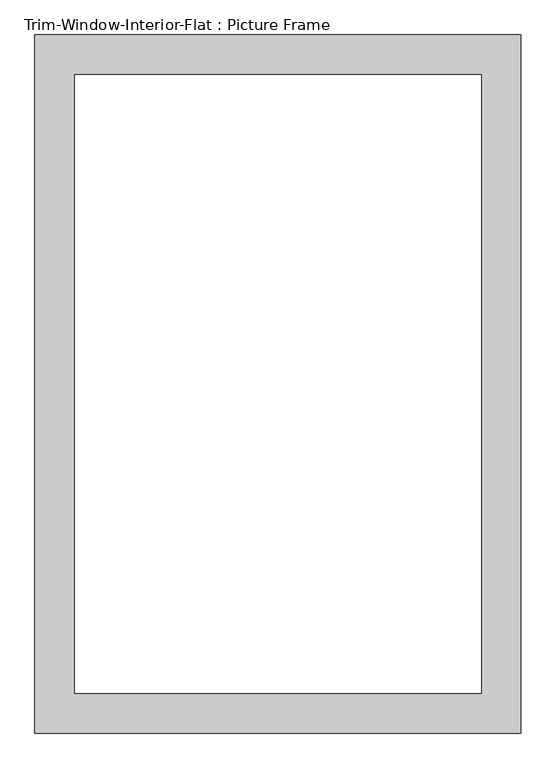
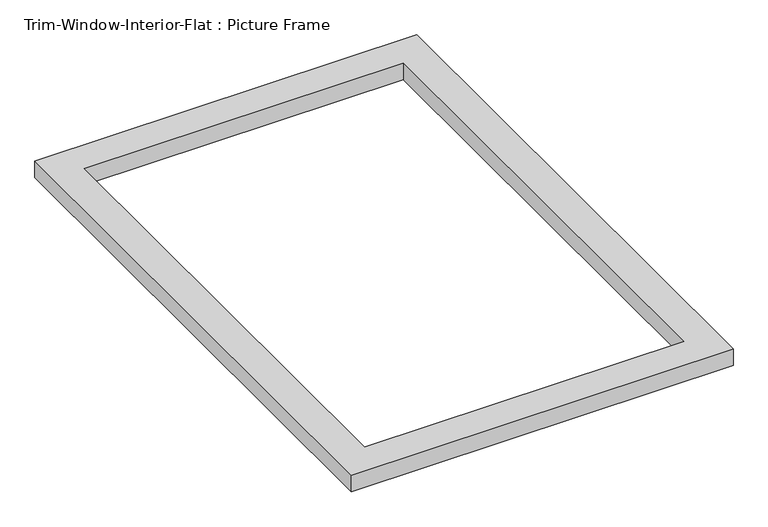
"""IFC4 building model written with IfcOpenShell, lengths in millimetres: proxy geometry, Trim-Window-Interior-Flat : Picture Frame."""

from ifc_helpers import new_model, si_unit, origin, origin_with_axes, place, context, project, spatial, polyline, outline, extrude, source, transform, mapped, element, save


def trim_window_interior_flat_picture_frame_d485c387(model_context):
    return source(origin(), model_context, "Body", "SweptSolid", [
        extrude(outline(polyline([(349.25, 44.45), (349.25, -958.85), (-349.25, -958.85), (-349.25, 44.45), (349.25, 44.45)]), holes=[polyline([(292.1, -12.7), (-292.1, -12.7), (-292.1, -901.7), (292.1, -901.7), (292.1, -12.7)])]), origin_with_axes(), (0.0, 0.0, 1.0), 31.75),
    ])


if __name__ == "__main__":
    model = new_model("IFC4")
    model_context = context("Model", 3, world=origin())
    ifc_project = project(units=[si_unit("LENGTHUNIT", "METRE", prefix="MILLI")], contexts=[model_context])
    site = spatial("IfcSite", under=ifc_project)
    building = spatial("IfcBuilding", under=site)
    placement = place(None, origin())
    trim_window_interior_flat_picture_frame_shape = trim_window_interior_flat_picture_frame_d485c387(model_context)
    element("IfcBuildingElementProxy", 1, Name="Trim-Window-Interior-Flat : Picture Frame", ObjectType="Trim-Window-Interior-Flat : Picture Frame", at=placement, inside=building, context=model_context, shape_type="MappedRepresentation", body=[
        mapped(trim_window_interior_flat_picture_frame_shape, transform((0.0, 0.0, 0.0), x_axis=(1.0, 0.0, 0.0), y_axis=(0.0, 1.0, 0.0), z_axis=(0.0, 0.0, 1.0))),
    ])
    save(model, "model.ifc")
